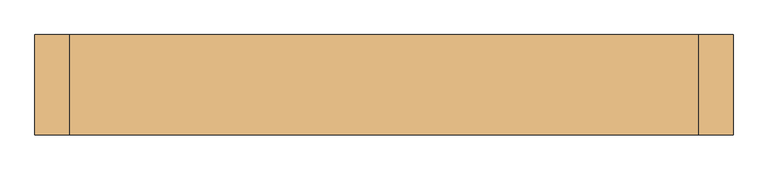
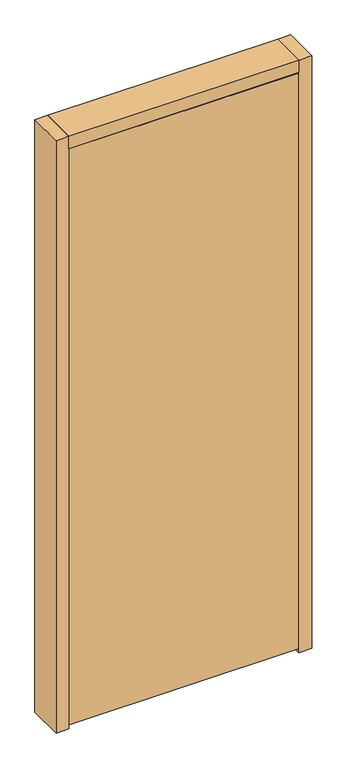
"""IFC4 building model written with IfcOpenShell, lengths in millimetres: door geometry."""

from ifc_helpers import new_model, si_unit, frame, origin, origin_with_axes, place, context, project, spatial, polyline, outline, extrude, source, transform, mapped, element, save


def door_d94c2f4b(model_context):
    return source(origin(), model_context, "Body", "SweptSolid", [
        extrude(outline(polyline([(454.81875, -106.3625), (454.81875, -150.8125), (-454.81875, -150.8125), (-454.81875, -106.3625), (454.81875, -106.3625)])), frame((0.0, 0.0, 15.875), z_axis=(0.0, 0.0, 1.0), x_axis=(1.0, 0.0, 0.0)), (0.0, 0.0, 1.0), 2419.35),
        extrude(outline(polyline([(457.1998984, -152.4), (-457.2001016, -152.4), (-457.2001016, -6.35), (457.1998984, -6.35), (457.1998984, -152.4)])), frame((0.0, 0.0, 2438.3998984), z_axis=(0.0, 0.0, 1.0), x_axis=(1.0, 0.0, 0.0)), (0.0, 0.0, 1.0), 50.8),
        extrude(outline(polyline([(-508.0, -152.4), (-508.0, -6.35), (-457.2, -6.35), (-457.2, -152.4), (-508.0, -152.4)])), origin_with_axes(), (0.0, 0.0, 1.0), 2489.2001016),
        extrude(outline(polyline([(457.2001016, -152.4), (457.2001016, -6.35), (508.0001016, -6.35), (508.0001016, -152.4), (457.2001016, -152.4)])), origin_with_axes(), (0.0, 0.0, 1.0), 2489.2001016),
    ])


if __name__ == "__main__":
    model = new_model("IFC4")
    model_context = context("Model", 3, world=origin())
    ifc_project = project(units=[si_unit("LENGTHUNIT", "METRE", prefix="MILLI")], contexts=[model_context])
    site = spatial("IfcSite", under=ifc_project)
    building = spatial("IfcBuilding", under=site)
    placement = place(None, origin())
    door_shape = door_d94c2f4b(model_context)
    element("IfcDoor", 1, at=placement, inside=building, context=model_context, shape_type="MappedRepresentation", body=[
        mapped(door_shape, transform((0.0, 0.0, 0.0), x_axis=(1.0, 0.0, 0.0), y_axis=(0.0, 1.0, 0.0), z_axis=(0.0, 0.0, 1.0))),
    ])
    save(model, "model.ifc")
